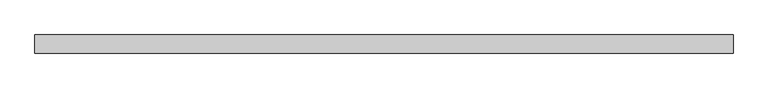
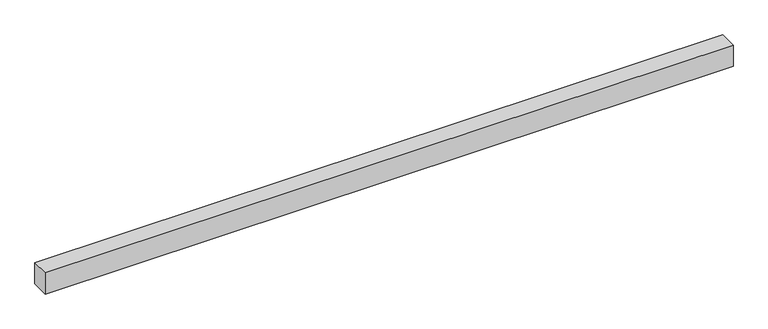
"""IFC4 building model written with IfcOpenShell, lengths in millimetres: proxy geometry."""

from ifc_helpers import new_model, si_unit, frame, origin, place, context, project, spatial, polyline, outline, extrude, source, transform, mapped, element, save


def generic_models_d2238317(model_context):
    return source(origin(), model_context, "Body", "SweptSolid", [
        extrude(outline(polyline([(40.0, 0.0), (-40.0, 0.0), (-40.0, 3080.0), (40.0, 3080.0), (40.0, 0.0)])), frame((3080.0, 0.0, 0.0), z_axis=(0.0, -1.9783474858313244e-12, 1.0), x_axis=(0.0, 1.0, 1.9783474858313244e-12)), (0.0, 0.0, 1.0), 100.0),
    ])


if __name__ == "__main__":
    model = new_model("IFC4")
    model_context = context("Model", 3, world=origin())
    ifc_project = project(units=[si_unit("LENGTHUNIT", "METRE", prefix="MILLI")], contexts=[model_context])
    site = spatial("IfcSite", under=ifc_project)
    building = spatial("IfcBuilding", under=site)
    placement = place(None, origin())
    generic_models_shape = generic_models_d2238317(model_context)
    element("IfcBuildingElementProxy", 1, Name="Generic Models", at=placement, inside=building, context=model_context, shape_type="MappedRepresentation", body=[
        mapped(generic_models_shape, transform((0.0, 0.0, 0.0), x_axis=(1.0, 0.0, 0.0), y_axis=(0.0, 1.0, 0.0), z_axis=(0.0, 0.0, 1.0))),
    ])
    save(model, "model.ifc")
